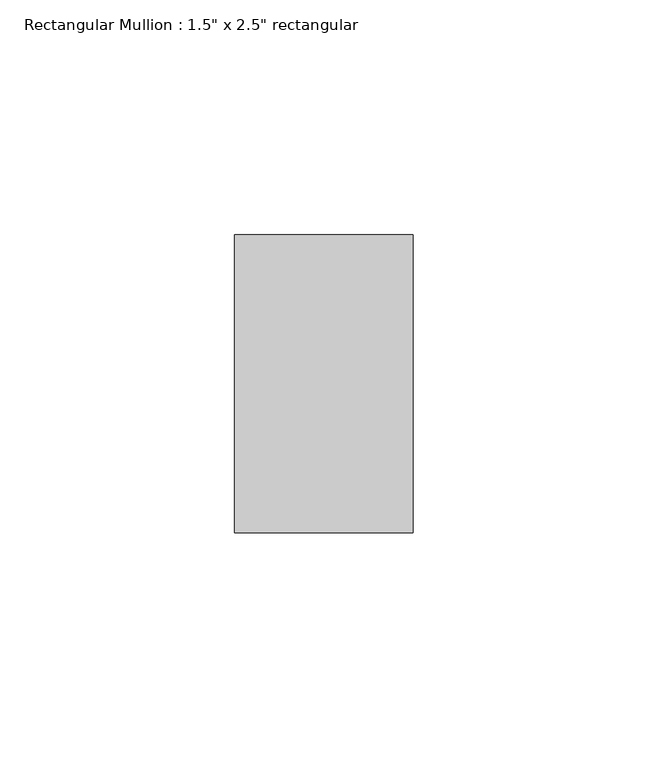
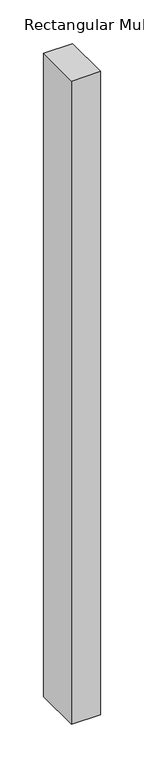
"""IFC4 building model written with IfcOpenShell, lengths in millimetres: member geometry."""

from ifc_helpers import new_model, si_unit, frame, origin, place, context, project, spatial, polyline, outline, extrude, source, transform, mapped, element, save


def member_a274b367(model_context):
    return source(origin(), model_context, "Body", "SweptSolid", [
        extrude(outline(polyline([(0.0, 31.75), (0.0, -31.75), (-38.1, -31.75), (-38.1, 31.75), (0.0, 31.75)])), frame((0.0, 0.0, -895.35), z_axis=(0.0, 0.0, 1.0), x_axis=(1.0, 0.0, 0.0)), (0.0, 0.0, 1.0), 895.35),
    ])


if __name__ == "__main__":
    model = new_model("IFC4")
    model_context = context("Model", 3, world=origin())
    ifc_project = project(units=[si_unit("LENGTHUNIT", "METRE", prefix="MILLI")], contexts=[model_context])
    site = spatial("IfcSite", under=ifc_project)
    building = spatial("IfcBuilding", under=site)
    placement = place(None, origin())
    member_shape = member_a274b367(model_context)
    element("IfcMember", 1, ObjectType="Rectangular Mullion : 1.5\" x 2.5\" rectangular", at=placement, inside=building, context=model_context, shape_type="MappedRepresentation", body=[
        mapped(member_shape, transform((0.0, 0.0, 0.0), x_axis=(1.0, 0.0, 0.0), y_axis=(0.0, 1.0, 0.0), z_axis=(0.0, 0.0, 1.0))),
    ])
    save(model, "model.ifc")
